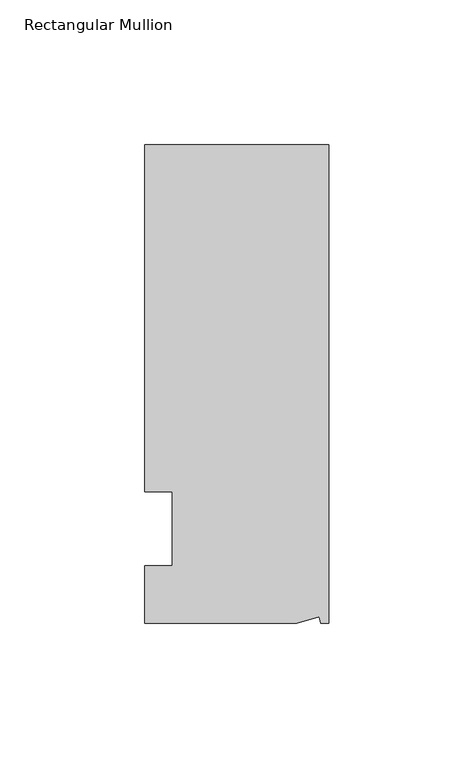
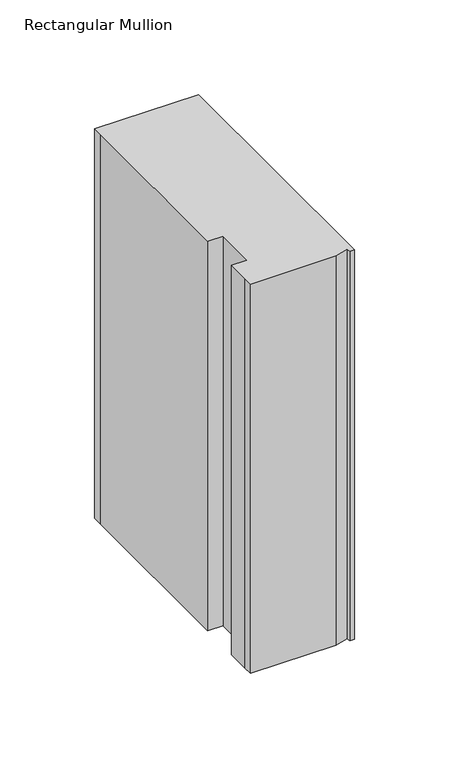
"""IFC4 building model written with IfcOpenShell, lengths in millimetres: member geometry, Rectangular Mullion."""

from ifc_helpers import new_model, si_unit, origin, place, context, project, spatial, faceted_brep, source, transform, mapped, element, save


def rectangular_mullion_3eddbfeb(model_context):
    return source(origin(), model_context, "Body", "Brep", [
        faceted_brep([(0.0, 132.5561012, 0.0), (-63.5, 132.5561012, 0.0), (-63.5, 126.2061012, 0.0), (-63.5, 12.8488281, 0.0), (-53.975, 12.8488281, 0.0), (-53.975, -12.7, 0.0), (-63.5, -12.7, 0.0), (-63.5, -26.1938988, 0.0), (-63.5076469, -32.5438988, 0.0), (-11.1125, -32.5438988, 0.0), (-3.3223696, -30.4565397, 0.0), (-2.7630634, -32.5438988, 0.0), (0.0, -32.5438988, 0.0), (0.0, 132.5561012, -251.466413), (0.0, -32.5438988, -251.466413), (-2.7630634, -32.5438988, -251.466413), (-3.3223696, -30.4565397, -251.466413), (-11.1125, -32.5438988, -251.466413), (-63.5076469, -32.5438988, -251.466413), (-63.5076469, -26.1938988, -251.466413), (-63.5, -12.7, -251.466413), (-53.975, -12.7, -251.466413), (-53.975, 12.8488281, -251.466413), (-63.5, 12.8488281, -251.466413), (-63.5, 126.2061012, -251.466413), (-63.5, 132.5561012, -251.466413)], [[[0, 1, 2, 3, 4, 5, 6, 7, 8, 9, 10, 11, 12]], [[13, 14, 15, 16, 17, 18, 19, 20, 21, 22, 23, 24, 25]], [[0, 12, 14, 13]], [[1, 0, 13, 25]], [[3, 2, 24, 23]], [[4, 3, 23, 22]], [[5, 4, 22, 21]], [[6, 5, 21, 20]], [[7, 6, 20, 19]], [[9, 8, 18, 17]], [[10, 9, 17, 16]], [[11, 10, 16, 15]], [[12, 11, 15, 14]], [[2, 1, 25, 24]], [[8, 7, 19, 18]]]),
    ])


if __name__ == "__main__":
    model = new_model("IFC4")
    model_context = context("Model", 3, world=origin())
    ifc_project = project(units=[si_unit("LENGTHUNIT", "METRE", prefix="MILLI")], contexts=[model_context])
    site = spatial("IfcSite", under=ifc_project)
    building = spatial("IfcBuilding", under=site)
    placement = place(None, origin())
    rectangular_mullion_shape = rectangular_mullion_3eddbfeb(model_context)
    element("IfcMember", 1, ObjectType="Rectangular Mullion", at=placement, inside=building, context=model_context, shape_type="MappedRepresentation", body=[
        mapped(rectangular_mullion_shape, transform((0.0, 0.0, 0.0), x_axis=(1.0, 0.0, 0.0), y_axis=(0.0, 1.0, 0.0), z_axis=(0.0, 0.0, 1.0))),
    ])
    save(model, "model.ifc")
